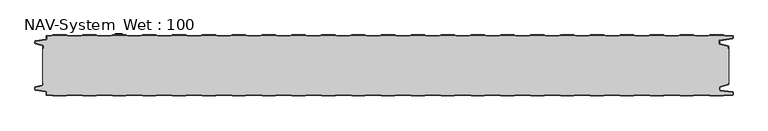
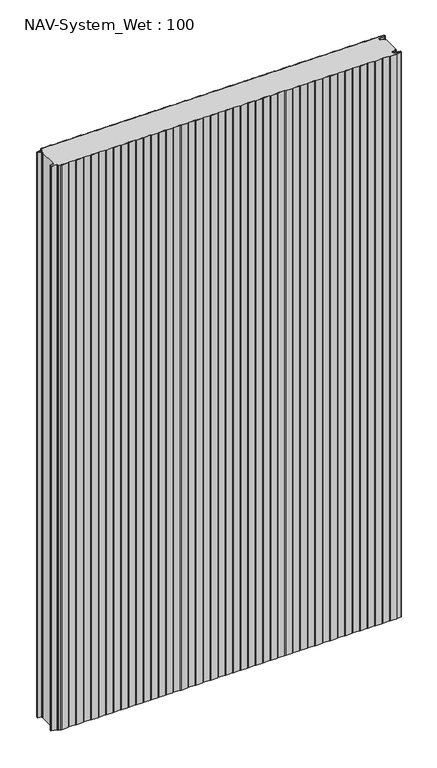
"""IFC4 building model written with IfcOpenShell, lengths in millimetres: plate geometry, NAV-System_Wet : 100."""

from ifc_helpers import new_model, si_unit, point, frame_2d, origin, origin_with_axes, place, context, project, spatial, polyline, circle_curve, trimmed, segment, composite_curve, outline, extrude, source, transform, mapped, element, save


def nav_system_wet_100_ff4cf853(model_context):
    return source(origin(), model_context, "Body", "SweptSolid", [
        extrude(outline(composite_curve([segment(polyline([(430.3684327, -0.8), (427.3684327, 0.2), (405.3684327, 0.2), (402.3684327, -0.8), (380.3684327, -0.8), (377.3684327, 0.2), (355.3684327, 0.2), (352.3684327, -0.8), (330.3684327, -0.8), (327.3684327, 0.2), (305.3684327, 0.2), (302.3684327, -0.8), (280.3684327, -0.8), (277.3684327, 0.2), (255.3684327, 0.2), (252.3684327, -0.8), (230.3684327, -0.8), (227.3684327, 0.2), (205.3684327, 0.2), (202.3684327, -0.8), (180.3684327, -0.8), (177.3684327, 0.2), (155.3684327, 0.2), (152.3684327, -0.8), (130.3684327, -0.8), (127.3684327, 0.2), (105.3684327, 0.2), (102.3684327, -0.8), (80.3684327, -0.8), (77.3684327, 0.2), (55.3684327, 0.2), (52.3684327, -0.8), (30.3684327, -0.8), (27.3684327, 0.2), (5.3684327, 0.2), (2.3684327, -0.8), (-19.6315673, -0.8), (-22.6315673, 0.2), (-44.6315673, 0.2), (-47.6315673, -0.8), (-69.6315673, -0.8), (-72.6315673, 0.2), (-94.6315673, 0.2), (-97.6315673, -0.8), (-119.6315673, -0.8), (-122.6315673, 0.2), (-144.6315673, 0.2), (-147.6315673, -0.8), (-169.6315673, -0.8), (-172.6315673, 0.2), (-194.6315673, 0.2), (-197.6315673, -0.8), (-219.6315673, -0.8), (-222.6315673, 0.2), (-244.6315673, 0.2), (-247.6315673, -0.8), (-269.6315673, -0.8), (-272.6315673, 0.2), (-294.6315673, 0.2), (-297.6315673, -0.8), (-319.6315673, -0.8), (-322.6315673, 0.2), (-344.6315673, 0.2), (-347.6315673, -0.8), (-369.6315673, -0.8), (-372.6315673, 0.2), (-394.6315673, 0.2), (-397.6315673, -0.8), (-419.6315673, -0.8), (-422.6315673, 0.2), (-444.6315673, 0.2), (-447.6315673, -0.8), (-469.6315673, -0.8), (-472.6315673, 0.2), (-494.6315673, 0.2), (-497.6315673, -0.8), (-519.6315673, -0.8), (-522.6315673, 0.2), (-544.6315673, 0.2), (-547.6315673, -0.8), (-554.7, -0.8)]), True, "CONTINUOUS"), segment(trimmed(circle_curve(frame_2d((-554.7, -1.3)), 0.5), [point((-554.7, -0.8))], [point((-555.2, -1.3))], True, "CARTESIAN"), True, "CONTINUOUS"), segment(polyline([(-555.2, -1.3), (-555.2, -5.3964683)]), True, "CONTINUOUS"), segment(trimmed(circle_curve(frame_2d((-556.7, -5.3964683)), 1.5), [point((-555.2, -5.3964683))], [point((-556.4911207, -6.8818536))], False, "CARTESIAN"), True, "CONTINUOUS"), segment(polyline([(-556.4911207, -6.8818536), (-573.4352183, -9.2645825)]), True, "CONTINUOUS"), segment(trimmed(circle_curve(frame_2d((-573.3114909, -10.1444347)), 0.8885091), [point((-573.4352183, -9.2645825))], [point((-574.2, -10.1444347))], True, "CARTESIAN"), True, "CONTINUOUS"), segment(polyline([(-574.2, -10.1444347), (-574.2, -12.46995)]), True, "CONTINUOUS"), segment(trimmed(circle_curve(frame_2d((-573.6, -12.46995)), 0.6), [point((-574.2, -12.46995))], [point((-573.7552914, -13.0495055))], True, "CARTESIAN"), True, "CONTINUOUS"), segment(polyline([(-573.7552914, -13.0495055), (-562.3785632, -16.0978907)]), True, "CONTINUOUS"), segment(trimmed(circle_curve(frame_2d((-562.7667917, -17.5467794)), 1.5), [point((-562.3785632, -16.0978907))], [point((-561.2667917, -17.5467794))], False, "CARTESIAN"), True, "CONTINUOUS"), segment(polyline([(-561.2667917, -17.5467794), (-561.2667917, -21.0096505), (-562.0667917, -21.0096505), (-562.0667917, -17.5467794)]), True, "CONTINUOUS"), segment(trimmed(circle_curve(frame_2d((-562.7667917, -17.5467794)), 0.7), [point((-562.0667917, -17.5467794))], [point((-562.5856184, -16.8706313))], True, "CARTESIAN"), True, "CONTINUOUS"), segment(polyline([(-562.5856184, -16.8706313), (-574.0364648, -13.8023863)]), True, "CONTINUOUS"), segment(trimmed(circle_curve(frame_2d((-573.7, -12.5466827)), 1.3), [point((-574.0364648, -13.8023863))], [point((-575.0, -12.5466827))], False, "CARTESIAN"), True, "CONTINUOUS"), segment(polyline([(-575.0, -12.5466827), (-575.0, -9.8067363)]), True, "CONTINUOUS"), segment(trimmed(circle_curve(frame_2d((-573.7, -9.8067363)), 1.3), [point((-575.0, -9.8067363))], [point((-573.8810287, -8.5194024))], False, "CARTESIAN"), True, "CONTINUOUS"), segment(polyline([(-573.8810287, -8.5194024), (-556.602523, -6.0896481)]), True, "CONTINUOUS"), segment(trimmed(circle_curve(frame_2d((-556.7, -5.3964683)), 0.7), [point((-556.602523, -6.0896481))], [point((-556.0, -5.3964683))], True, "CARTESIAN"), True, "CONTINUOUS"), segment(polyline([(-556.0, -5.3964683), (-556.0, -1.3)]), True, "CONTINUOUS"), segment(trimmed(circle_curve(frame_2d((-554.7, -1.3)), 1.3), [point((-556.0, -1.3))], [point((-554.7, 0.0))], False, "CARTESIAN"), True, "CONTINUOUS"), segment(polyline([(-554.7, 0.0), (-547.7613895, 0.0), (-544.7613895, 1.0), (-522.5017452, 1.0), (-519.5017452, 0.0), (-497.7613895, 0.0), (-494.7613895, 1.0), (-472.5017452, 1.0), (-469.5017452, 0.0), (-447.7613895, 0.0), (-444.7613895, 1.0), (-422.5017452, 1.0), (-419.5017452, 0.0), (-397.7613895, 0.0), (-394.7613895, 1.0), (-372.5017452, 1.0), (-369.5017452, 0.0), (-347.7613895, 0.0), (-344.7613895, 1.0), (-322.5017452, 1.0), (-319.5017452, 0.0), (-297.7613895, 0.0), (-294.7613895, 1.0), (-272.5017452, 1.0), (-269.5017452, 0.0), (-247.7613895, 0.0), (-244.7613895, 1.0), (-222.5017452, 1.0), (-219.5017452, 0.0), (-197.7613895, 0.0), (-194.7613895, 1.0), (-172.5017452, 1.0), (-169.5017452, 0.0), (-147.7613895, 0.0), (-144.7613895, 1.0), (-122.5017452, 1.0), (-119.5017452, 0.0), (-97.7613895, 0.0), (-94.7613895, 1.0), (-72.5017452, 1.0), (-69.5017452, 0.0), (-47.7613895, 0.0), (-44.7613895, 1.0), (-22.5017452, 1.0), (-19.5017452, 0.0), (2.2386105, 0.0), (5.2386105, 1.0), (27.4982548, 1.0), (30.4982548, 0.0), (52.2386105, 0.0), (55.2386105, 1.0), (77.4982548, 1.0), (80.4982548, 0.0), (102.2386105, 0.0), (105.2386105, 1.0), (127.4982548, 1.0), (130.4982548, 0.0), (152.2386105, 0.0), (155.2386105, 1.0), (177.4982548, 1.0), (180.4982548, 0.0), (202.2386105, 0.0), (205.2386105, 1.0), (227.4982548, 1.0), (230.4982548, 0.0), (252.2386105, 0.0), (255.2386105, 1.0), (277.4982548, 1.0), (280.4982548, 0.0), (302.2386105, 0.0), (305.2386105, 1.0), (327.4982548, 1.0), (330.4982548, 0.0), (352.2386105, 0.0), (355.2386105, 1.0), (377.4982548, 1.0), (380.4982548, 0.0), (402.2386105, 0.0), (405.2386105, 1.0), (427.4982548, 1.0), (430.4982548, 0.0), (452.2386105, 0.0), (455.2386105, 1.0), (477.4982548, 1.0), (480.4982548, 0.0), (502.2386105, 0.0), (505.2386105, 1.0), (527.4982548, 1.0), (530.4982548, 0.0), (552.2386105, 0.0), (555.2386105, 1.0), (577.4982548, 1.0), (580.4982548, 0.0), (592.7, 0.0)]), True, "CONTINUOUS"), segment(trimmed(circle_curve(frame_2d((592.7, -1.3)), 1.3), [point((592.7, 0.0))], [point((594.0, -1.3))], False, "CARTESIAN"), True, "CONTINUOUS"), segment(polyline([(594.0, -1.3), (594.0, -4.3700191)]), True, "CONTINUOUS"), segment(trimmed(circle_curve(frame_2d((592.7, -4.3700191)), 1.3), [point((594.0, -4.3700191))], [point((592.8810287, -5.657353))], False, "CARTESIAN"), True, "CONTINUOUS"), segment(polyline([(592.8810287, -5.657353), (572.102523, -8.5792877)]), True, "CONTINUOUS"), segment(trimmed(circle_curve(frame_2d((572.2, -9.2724675)), 0.7), [point((572.102523, -8.5792877))], [point((571.5, -9.2724675))], True, "CARTESIAN"), True, "CONTINUOUS"), segment(polyline([(571.5, -9.2724675), (571.5, -13.0812756)]), True, "CONTINUOUS"), segment(trimmed(circle_curve(frame_2d((572.2, -13.0812756)), 0.7), [point((571.5, -13.0812756))], [point((572.0188267, -13.7574237))], True, "CARTESIAN"), True, "CONTINUOUS"), segment(polyline([(572.0188267, -13.7574237), (585.4205101, -17.3483939)]), True, "CONTINUOUS"), segment(trimmed(circle_curve(frame_2d((585.0840453, -18.6040975)), 1.3), [point((585.4205101, -17.3483939))], [point((586.3840453, -18.6040975))], False, "CARTESIAN"), True, "CONTINUOUS"), segment(polyline([(586.3840453, -18.6040975), (586.3840453, -21.0096505), (585.5840453, -21.0096505), (585.5840453, -18.6808302)]), True, "CONTINUOUS"), segment(trimmed(circle_curve(frame_2d((584.9840453, -18.6808302)), 0.6), [point((585.5840453, -18.6808302))], [point((585.1393367, -18.1012747))], True, "CARTESIAN"), True, "CONTINUOUS"), segment(polyline([(585.1393367, -18.1012747), (571.8117714, -14.5301644)]), True, "CONTINUOUS"), segment(trimmed(circle_curve(frame_2d((572.2, -13.0812756)), 1.5), [point((571.8117714, -14.5301644))], [point((570.7, -13.0812756))], False, "CARTESIAN"), True, "CONTINUOUS"), segment(polyline([(570.7, -13.0812756), (570.7, -9.2724675)]), True, "CONTINUOUS"), segment(trimmed(circle_curve(frame_2d((572.2, -9.2724675)), 1.5), [point((570.7, -9.2724675))], [point((571.9911207, -7.7870822))], False, "CARTESIAN"), True, "CONTINUOUS"), segment(polyline([(571.9911207, -7.7870822), (592.6835517, -4.8772516)]), True, "CONTINUOUS"), segment(trimmed(circle_curve(frame_2d((592.6, -4.2830975)), 0.6), [point((592.6835517, -4.8772516))], [point((593.2, -4.2830975))], True, "CARTESIAN"), True, "CONTINUOUS"), segment(polyline([(593.2, -4.2830975), (593.2, -1.3)]), True, "CONTINUOUS"), segment(trimmed(circle_curve(frame_2d((592.7, -1.3)), 0.5), [point((593.2, -1.3))], [point((592.7, -0.8))], True, "CARTESIAN"), True, "CONTINUOUS"), segment(polyline([(592.7, -0.8), (580.3684327, -0.8), (577.3684327, 0.2), (555.3684327, 0.2), (552.3684327, -0.8), (530.3684327, -0.8), (527.3684327, 0.2), (505.3684327, 0.2), (502.3684327, -0.8), (480.3684327, -0.8), (477.3684327, 0.2), (455.3684327, 0.2), (452.3684327, -0.8), (430.3684327, -0.8)]), True, "CONTINUOUS")], self_intersect=False)), origin_with_axes(), (0.0, 0.0, 1.0), 2000.0),
        extrude(outline(composite_curve([segment(polyline([(430.3684327, -0.8), (452.3684327, -0.8), (455.3684327, 0.2), (477.3684327, 0.2), (480.3684327, -0.8), (502.3684327, -0.8), (505.3684327, 0.2), (527.3684327, 0.2), (530.3684327, -0.8), (552.3684327, -0.8), (555.3684327, 0.2), (577.3684327, 0.2), (580.3684327, -0.8), (592.7, -0.8)]), True, "CONTINUOUS"), segment(trimmed(circle_curve(frame_2d((592.7, -1.3)), 0.5), [point((592.7, -0.8))], [point((593.2, -1.3))], False, "CARTESIAN"), True, "CONTINUOUS"), segment(polyline([(593.2, -1.3), (593.2, -4.2830975)]), True, "CONTINUOUS"), segment(trimmed(circle_curve(frame_2d((592.6, -4.2830975)), 0.6), [point((593.2, -4.2830975))], [point((592.6835517, -4.8772516))], False, "CARTESIAN"), True, "CONTINUOUS"), segment(polyline([(592.6835517, -4.8772516), (571.9911207, -7.7870822)]), True, "CONTINUOUS"), segment(trimmed(circle_curve(frame_2d((572.2, -9.2724675)), 1.5), [point((571.9911207, -7.7870822))], [point((570.7, -9.2724675))], True, "CARTESIAN"), True, "CONTINUOUS"), segment(polyline([(570.7, -9.2724675), (570.7, -13.0812756)]), True, "CONTINUOUS"), segment(trimmed(circle_curve(frame_2d((572.2, -13.0812756)), 1.5), [point((570.7, -13.0812756))], [point((571.8117714, -14.5301644))], True, "CARTESIAN"), True, "CONTINUOUS"), segment(polyline([(571.8117714, -14.5301644), (585.1393367, -18.1012747)]), True, "CONTINUOUS"), segment(trimmed(circle_curve(frame_2d((584.9840453, -18.6808302)), 0.6), [point((585.1393367, -18.1012747))], [point((585.5840453, -18.6808302))], False, "CARTESIAN"), True, "CONTINUOUS"), segment(polyline([(585.5840453, -18.6808302), (585.5840453, -21.0096505), (586.3840453, -21.0096505), (586.3840453, -78.9903495), (585.5840453, -78.9903495), (585.5840453, -81.3191698)]), True, "CONTINUOUS"), segment(trimmed(circle_curve(frame_2d((584.9840453, -81.3191698)), 0.6), [point((585.5840453, -81.3191698))], [point((585.1393367, -81.8987253))], False, "CARTESIAN"), True, "CONTINUOUS"), segment(polyline([(585.1393367, -81.8987253), (571.8117714, -85.4698356)]), True, "CONTINUOUS"), segment(trimmed(circle_curve(frame_2d((572.2, -86.9187244)), 1.5), [point((571.8117714, -85.4698356))], [point((570.7, -86.9187244))], True, "CARTESIAN"), True, "CONTINUOUS"), segment(polyline([(570.7, -86.9187244), (570.7, -90.7275325)]), True, "CONTINUOUS"), segment(trimmed(circle_curve(frame_2d((572.2, -90.7275325)), 1.5), [point((570.7, -90.7275325))], [point((571.9911207, -92.2129178))], True, "CARTESIAN"), True, "CONTINUOUS"), segment(polyline([(571.9911207, -92.2129178), (592.6835517, -95.1227484)]), True, "CONTINUOUS"), segment(trimmed(circle_curve(frame_2d((592.6, -95.7169025)), 0.6), [point((592.6835517, -95.1227484))], [point((593.2, -95.7169025))], False, "CARTESIAN"), True, "CONTINUOUS"), segment(polyline([(593.2, -95.7169025), (593.2, -98.7)]), True, "CONTINUOUS"), segment(trimmed(circle_curve(frame_2d((592.7, -98.7)), 0.5), [point((593.2, -98.7))], [point((592.7, -99.2))], False, "CARTESIAN"), True, "CONTINUOUS"), segment(polyline([(592.7, -99.2), (580.3684327, -99.2), (577.3684327, -100.2), (555.3684327, -100.2), (552.3684327, -99.2), (530.3684327, -99.2), (527.3684327, -100.2), (505.3684327, -100.2), (502.3684327, -99.2), (480.3684327, -99.2), (477.3684327, -100.2), (455.3684327, -100.2), (452.3684327, -99.2), (430.3684327, -99.2), (427.3684327, -100.2), (405.3684327, -100.2), (402.3684327, -99.2), (380.3684327, -99.2), (377.3684327, -100.2), (355.3684327, -100.2), (352.3684327, -99.2), (330.3684327, -99.2), (327.3684327, -100.2), (305.3684327, -100.2), (302.3684327, -99.2), (280.3684327, -99.2), (277.3684327, -100.2), (255.3684327, -100.2), (252.3684327, -99.2), (230.3684327, -99.2), (227.3684327, -100.2), (205.3684327, -100.2), (202.3684327, -99.2), (180.3684327, -99.2), (177.3684327, -100.2), (155.3684327, -100.2), (152.3684327, -99.2), (130.3684327, -99.2), (127.3684327, -100.2), (105.3684327, -100.2), (102.3684327, -99.2), (80.3684327, -99.2), (77.3684327, -100.2), (55.3684327, -100.2), (52.3684327, -99.2), (30.3684327, -99.2), (27.3684327, -100.2), (5.3684327, -100.2), (2.3684327, -99.2), (-19.6315673, -99.2), (-22.6315673, -100.2), (-44.6315673, -100.2), (-47.6315673, -99.2), (-69.6315673, -99.2), (-72.6315673, -100.2), (-94.6315673, -100.2), (-97.6315673, -99.2), (-119.6315673, -99.2), (-122.6315673, -100.2), (-144.6315673, -100.2), (-147.6315673, -99.2), (-169.6315673, -99.2), (-172.6315673, -100.2), (-194.6315673, -100.2), (-197.6315673, -99.2), (-219.6315673, -99.2), (-222.6315673, -100.2), (-244.6315673, -100.2), (-247.6315673, -99.2), (-269.6315673, -99.2), (-272.6315673, -100.2), (-294.6315673, -100.2), (-297.6315673, -99.2), (-319.6315673, -99.2), (-322.6315673, -100.2), (-344.6315673, -100.2), (-347.6315673, -99.2), (-369.6315673, -99.2), (-372.6315673, -100.2), (-394.6315673, -100.2), (-397.6315673, -99.2), (-419.6315673, -99.2), (-422.6315673, -100.2), (-444.6315673, -100.2), (-447.6315673, -99.2), (-469.6315673, -99.2), (-472.6315673, -100.2), (-494.6315673, -100.2), (-497.6315673, -99.2), (-519.6315673, -99.2), (-522.6315673, -100.2), (-544.6315673, -100.2), (-547.6315673, -99.2), (-554.7, -99.2)]), True, "CONTINUOUS"), segment(trimmed(circle_curve(frame_2d((-554.7, -98.7)), 0.5), [point((-554.7, -99.2))], [point((-555.2, -98.7))], False, "CARTESIAN"), True, "CONTINUOUS"), segment(polyline([(-555.2, -98.7), (-555.2, -94.6035317)]), True, "CONTINUOUS"), segment(trimmed(circle_curve(frame_2d((-556.7, -94.6035317)), 1.5), [point((-555.2, -94.6035317))], [point((-556.4911207, -93.1181464))], True, "CARTESIAN"), True, "CONTINUOUS"), segment(polyline([(-556.4911207, -93.1181464), (-573.4352183, -90.7354175)]), True, "CONTINUOUS"), segment(trimmed(circle_curve(frame_2d((-573.3114909, -89.8555653)), 0.8885091), [point((-573.4352183, -90.7354175))], [point((-574.2, -89.8555653))], False, "CARTESIAN"), True, "CONTINUOUS"), segment(polyline([(-574.2, -89.8555653), (-574.2, -87.53005)]), True, "CONTINUOUS"), segment(trimmed(circle_curve(frame_2d((-573.6, -87.53005)), 0.6), [point((-574.2, -87.53005))], [point((-573.7552914, -86.9504945))], False, "CARTESIAN"), True, "CONTINUOUS"), segment(polyline([(-573.7552914, -86.9504945), (-562.3785632, -83.9021093)]), True, "CONTINUOUS"), segment(trimmed(circle_curve(frame_2d((-562.7667917, -82.4532206)), 1.5), [point((-562.3785632, -83.9021093))], [point((-561.2667917, -82.4532206))], True, "CARTESIAN"), True, "CONTINUOUS"), segment(polyline([(-561.2667917, -82.4532206), (-561.2667917, -78.9903495), (-562.0667917, -78.9903495), (-562.0667917, -21.0096505), (-561.2667917, -21.0096505), (-561.2667917, -17.5467794)]), True, "CONTINUOUS"), segment(trimmed(circle_curve(frame_2d((-562.7667917, -17.5467794)), 1.5), [point((-561.2667917, -17.5467794))], [point((-562.3785632, -16.0978907))], True, "CARTESIAN"), True, "CONTINUOUS"), segment(polyline([(-562.3785632, -16.0978907), (-573.7552914, -13.0495055)]), True, "CONTINUOUS"), segment(trimmed(circle_curve(frame_2d((-573.6, -12.46995)), 0.6), [point((-573.7552914, -13.0495055))], [point((-574.2, -12.46995))], False, "CARTESIAN"), True, "CONTINUOUS"), segment(polyline([(-574.2, -12.46995), (-574.2, -10.1444347)]), True, "CONTINUOUS"), segment(trimmed(circle_curve(frame_2d((-573.3114909, -10.1444347)), 0.8885091), [point((-574.2, -10.1444347))], [point((-573.4352183, -9.2645825))], False, "CARTESIAN"), True, "CONTINUOUS"), segment(polyline([(-573.4352183, -9.2645825), (-556.4911207, -6.8818536)]), True, "CONTINUOUS"), segment(trimmed(circle_curve(frame_2d((-556.7, -5.3964683)), 1.5), [point((-556.4911207, -6.8818536))], [point((-555.2, -5.3964683))], True, "CARTESIAN"), True, "CONTINUOUS"), segment(polyline([(-555.2, -5.3964683), (-555.2, -1.3)]), True, "CONTINUOUS"), segment(trimmed(circle_curve(frame_2d((-554.7, -1.3)), 0.5), [point((-555.2, -1.3))], [point((-554.7, -0.8))], False, "CARTESIAN"), True, "CONTINUOUS"), segment(polyline([(-554.7, -0.8), (-547.6315673, -0.8), (-544.6315673, 0.2), (-522.6315673, 0.2), (-519.6315673, -0.8), (-497.6315673, -0.8), (-494.6315673, 0.2), (-472.6315673, 0.2), (-469.6315673, -0.8), (-447.6315673, -0.8), (-444.6315673, 0.2), (-422.6315673, 0.2), (-419.6315673, -0.8), (-397.6315673, -0.8), (-394.6315673, 0.2), (-372.6315673, 0.2), (-369.6315673, -0.8), (-347.6315673, -0.8), (-344.6315673, 0.2), (-322.6315673, 0.2), (-319.6315673, -0.8), (-297.6315673, -0.8), (-294.6315673, 0.2), (-272.6315673, 0.2), (-269.6315673, -0.8), (-247.6315673, -0.8), (-244.6315673, 0.2), (-222.6315673, 0.2), (-219.6315673, -0.8), (-197.6315673, -0.8), (-194.6315673, 0.2), (-172.6315673, 0.2), (-169.6315673, -0.8), (-147.6315673, -0.8), (-144.6315673, 0.2), (-122.6315673, 0.2), (-119.6315673, -0.8), (-97.6315673, -0.8), (-94.6315673, 0.2), (-72.6315673, 0.2), (-69.6315673, -0.8), (-47.6315673, -0.8), (-44.6315673, 0.2), (-22.6315673, 0.2), (-19.6315673, -0.8), (2.3684327, -0.8), (5.3684327, 0.2), (27.3684327, 0.2), (30.3684327, -0.8), (52.3684327, -0.8), (55.3684327, 0.2), (77.3684327, 0.2), (80.3684327, -0.8), (102.3684327, -0.8), (105.3684327, 0.2), (127.3684327, 0.2), (130.3684327, -0.8), (152.3684327, -0.8), (155.3684327, 0.2), (177.3684327, 0.2), (180.3684327, -0.8), (202.3684327, -0.8), (205.3684327, 0.2), (227.3684327, 0.2), (230.3684327, -0.8), (252.3684327, -0.8), (255.3684327, 0.2), (277.3684327, 0.2), (280.3684327, -0.8), (302.3684327, -0.8), (305.3684327, 0.2), (327.3684327, 0.2), (330.3684327, -0.8), (352.3684327, -0.8), (355.3684327, 0.2), (377.3684327, 0.2), (380.3684327, -0.8), (402.3684327, -0.8), (405.3684327, 0.2), (427.3684327, 0.2), (430.3684327, -0.8)]), True, "CONTINUOUS")], self_intersect=False)), origin_with_axes(), (0.0, 0.0, 1.0), 2000.0),
        extrude(outline(composite_curve([segment(polyline([(430.3684327, -99.2), (452.3684327, -99.2), (455.3684327, -100.2), (477.3684327, -100.2), (480.3684327, -99.2), (502.3684327, -99.2), (505.3684327, -100.2), (527.3684327, -100.2), (530.3684327, -99.2), (552.3684327, -99.2), (555.3684327, -100.2), (577.3684327, -100.2), (580.3684327, -99.2), (592.7, -99.2)]), True, "CONTINUOUS"), segment(trimmed(circle_curve(frame_2d((592.7, -98.7)), 0.5), [point((592.7, -99.2))], [point((593.2, -98.7))], True, "CARTESIAN"), True, "CONTINUOUS"), segment(polyline([(593.2, -98.7), (593.2, -95.7169025)]), True, "CONTINUOUS"), segment(trimmed(circle_curve(frame_2d((592.6, -95.7169025)), 0.6), [point((593.2, -95.7169025))], [point((592.6835517, -95.1227484))], True, "CARTESIAN"), True, "CONTINUOUS"), segment(polyline([(592.6835517, -95.1227484), (571.9911207, -92.2129178)]), True, "CONTINUOUS"), segment(trimmed(circle_curve(frame_2d((572.2, -90.7275325)), 1.5), [point((571.9911207, -92.2129178))], [point((570.7, -90.7275325))], False, "CARTESIAN"), True, "CONTINUOUS"), segment(polyline([(570.7, -90.7275325), (570.7, -86.9187244)]), True, "CONTINUOUS"), segment(trimmed(circle_curve(frame_2d((572.2, -86.9187244)), 1.5), [point((570.7, -86.9187244))], [point((571.8117714, -85.4698356))], False, "CARTESIAN"), True, "CONTINUOUS"), segment(polyline([(571.8117714, -85.4698356), (585.1393367, -81.8987253)]), True, "CONTINUOUS"), segment(trimmed(circle_curve(frame_2d((584.9840453, -81.3191698)), 0.6), [point((585.1393367, -81.8987253))], [point((585.5840453, -81.3191698))], True, "CARTESIAN"), True, "CONTINUOUS"), segment(polyline([(585.5840453, -81.3191698), (585.5840453, -78.9903495), (586.3840453, -78.9903495), (586.3840453, -81.3959025)]), True, "CONTINUOUS"), segment(trimmed(circle_curve(frame_2d((585.0840453, -81.3959025)), 1.3), [point((586.3840453, -81.3959025))], [point((585.4205101, -82.6516061))], False, "CARTESIAN"), True, "CONTINUOUS"), segment(polyline([(585.4205101, -82.6516061), (572.0188267, -86.2425763)]), True, "CONTINUOUS"), segment(trimmed(circle_curve(frame_2d((572.2, -86.9187244)), 0.7), [point((572.0188267, -86.2425763))], [point((571.5, -86.9187244))], True, "CARTESIAN"), True, "CONTINUOUS"), segment(polyline([(571.5, -86.9187244), (571.5, -90.7275325)]), True, "CONTINUOUS"), segment(trimmed(circle_curve(frame_2d((572.2, -90.7275325)), 0.7), [point((571.5, -90.7275325))], [point((572.102523, -91.4207123))], True, "CARTESIAN"), True, "CONTINUOUS"), segment(polyline([(572.102523, -91.4207123), (592.8810287, -94.342647)]), True, "CONTINUOUS"), segment(trimmed(circle_curve(frame_2d((592.7, -95.6299809)), 1.3), [point((592.8810287, -94.342647))], [point((594.0, -95.6299809))], False, "CARTESIAN"), True, "CONTINUOUS"), segment(polyline([(594.0, -95.6299809), (594.0, -98.7)]), True, "CONTINUOUS"), segment(trimmed(circle_curve(frame_2d((592.7, -98.7)), 1.3), [point((594.0, -98.7))], [point((592.7, -100.0))], False, "CARTESIAN"), True, "CONTINUOUS"), segment(polyline([(592.7, -100.0), (580.4982548, -100.0), (577.4982548, -101.0), (555.2386105, -101.0), (552.2386105, -100.0), (530.4982548, -100.0), (527.4982548, -101.0), (505.2386105, -101.0), (502.2386105, -100.0), (480.4982548, -100.0), (477.4982548, -101.0), (455.2386105, -101.0), (452.2386105, -100.0), (430.4982548, -100.0), (427.4982548, -101.0), (405.2386105, -101.0), (402.2386105, -100.0), (380.4982548, -100.0), (377.4982548, -101.0), (355.2386105, -101.0), (352.2386105, -100.0), (330.4982548, -100.0), (327.4982548, -101.0), (305.2386105, -101.0), (302.2386105, -100.0), (280.4982548, -100.0), (277.4982548, -101.0), (255.2386105, -101.0), (252.2386105, -100.0), (230.4982548, -100.0), (227.4982548, -101.0), (205.2386105, -101.0), (202.2386105, -100.0), (180.4982548, -100.0), (177.4982548, -101.0), (155.2386105, -101.0), (152.2386105, -100.0), (130.4982548, -100.0), (127.4982548, -101.0), (105.2386105, -101.0), (102.2386105, -100.0), (80.4982548, -100.0), (77.4982548, -101.0), (55.2386105, -101.0), (52.2386105, -100.0), (30.4982548, -100.0), (27.4982548, -101.0), (5.2386105, -101.0), (2.2386105, -100.0), (-19.5017452, -100.0), (-22.5017452, -101.0), (-44.7613895, -101.0), (-47.7613895, -100.0), (-69.5017452, -100.0), (-72.5017452, -101.0), (-94.7613895, -101.0), (-97.7613895, -100.0), (-119.5017452, -100.0), (-122.5017452, -101.0), (-144.7613895, -101.0), (-147.7613895, -100.0), (-169.5017452, -100.0), (-172.5017452, -101.0), (-194.7613895, -101.0), (-197.7613895, -100.0), (-219.5017452, -100.0), (-222.5017452, -101.0), (-244.7613895, -101.0), (-247.7613895, -100.0), (-269.5017452, -100.0), (-272.5017452, -101.0), (-294.7613895, -101.0), (-297.7613895, -100.0), (-319.5017452, -100.0), (-322.5017452, -101.0), (-344.7613895, -101.0), (-347.7613895, -100.0), (-369.5017452, -100.0), (-372.5017452, -101.0), (-394.7613895, -101.0), (-397.7613895, -100.0), (-419.5017452, -100.0), (-422.5017452, -101.0), (-444.7613895, -101.0), (-447.7613895, -100.0), (-469.5017452, -100.0), (-472.5017452, -101.0), (-494.7613895, -101.0), (-497.7613895, -100.0), (-519.5017452, -100.0), (-522.5017452, -101.0), (-544.7613895, -101.0), (-547.7613895, -100.0), (-554.7, -100.0)]), True, "CONTINUOUS"), segment(trimmed(circle_curve(frame_2d((-554.7, -98.7)), 1.3), [point((-554.7, -100.0))], [point((-556.0, -98.7))], False, "CARTESIAN"), True, "CONTINUOUS"), segment(polyline([(-556.0, -98.7), (-556.0, -94.6035317)]), True, "CONTINUOUS"), segment(trimmed(circle_curve(frame_2d((-556.7, -94.6035317)), 0.7), [point((-556.0, -94.6035317))], [point((-556.602523, -93.9103519))], True, "CARTESIAN"), True, "CONTINUOUS"), segment(polyline([(-556.602523, -93.9103519), (-573.8810287, -91.4805976)]), True, "CONTINUOUS"), segment(trimmed(circle_curve(frame_2d((-573.7, -90.1932637)), 1.3), [point((-573.8810287, -91.4805976))], [point((-575.0, -90.1932637))], False, "CARTESIAN"), True, "CONTINUOUS"), segment(polyline([(-575.0, -90.1932637), (-575.0, -87.4533173)]), True, "CONTINUOUS"), segment(trimmed(circle_curve(frame_2d((-573.7, -87.4533173)), 1.3), [point((-575.0, -87.4533173))], [point((-574.0364648, -86.1976137))], False, "CARTESIAN"), True, "CONTINUOUS"), segment(polyline([(-574.0364648, -86.1976137), (-562.5856184, -83.1293687)]), True, "CONTINUOUS"), segment(trimmed(circle_curve(frame_2d((-562.7667917, -82.4532206)), 0.7), [point((-562.5856184, -83.1293687))], [point((-562.0667917, -82.4532206))], True, "CARTESIAN"), True, "CONTINUOUS"), segment(polyline([(-562.0667917, -82.4532206), (-562.0667917, -78.9903495), (-561.2667917, -78.9903495), (-561.2667917, -82.4532206)]), True, "CONTINUOUS"), segment(trimmed(circle_curve(frame_2d((-562.7667917, -82.4532206)), 1.5), [point((-561.2667917, -82.4532206))], [point((-562.3785632, -83.9021093))], False, "CARTESIAN"), True, "CONTINUOUS"), segment(polyline([(-562.3785632, -83.9021093), (-573.7552914, -86.9504945)]), True, "CONTINUOUS"), segment(trimmed(circle_curve(frame_2d((-573.6, -87.53005)), 0.6), [point((-573.7552914, -86.9504945))], [point((-574.2, -87.53005))], True, "CARTESIAN"), True, "CONTINUOUS"), segment(polyline([(-574.2, -87.53005), (-574.2, -89.8555653)]), True, "CONTINUOUS"), segment(trimmed(circle_curve(frame_2d((-573.3114909, -89.8555653)), 0.8885091), [point((-574.2, -89.8555653))], [point((-573.4352183, -90.7354175))], True, "CARTESIAN"), True, "CONTINUOUS"), segment(polyline([(-573.4352183, -90.7354175), (-556.4911207, -93.1181464)]), True, "CONTINUOUS"), segment(trimmed(circle_curve(frame_2d((-556.7, -94.6035317)), 1.5), [point((-556.4911207, -93.1181464))], [point((-555.2, -94.6035317))], False, "CARTESIAN"), True, "CONTINUOUS"), segment(polyline([(-555.2, -94.6035317), (-555.2, -98.7)]), True, "CONTINUOUS"), segment(trimmed(circle_curve(frame_2d((-554.7, -98.7)), 0.5), [point((-555.2, -98.7))], [point((-554.7, -99.2))], True, "CARTESIAN"), True, "CONTINUOUS"), segment(polyline([(-554.7, -99.2), (-547.6315673, -99.2), (-544.6315673, -100.2), (-522.6315673, -100.2), (-519.6315673, -99.2), (-497.6315673, -99.2), (-494.6315673, -100.2), (-472.6315673, -100.2), (-469.6315673, -99.2), (-447.6315673, -99.2), (-444.6315673, -100.2), (-422.6315673, -100.2), (-419.6315673, -99.2), (-397.6315673, -99.2), (-394.6315673, -100.2), (-372.6315673, -100.2), (-369.6315673, -99.2), (-347.6315673, -99.2), (-344.6315673, -100.2), (-322.6315673, -100.2), (-319.6315673, -99.2), (-297.6315673, -99.2), (-294.6315673, -100.2), (-272.6315673, -100.2), (-269.6315673, -99.2), (-247.6315673, -99.2), (-244.6315673, -100.2), (-222.6315673, -100.2), (-219.6315673, -99.2), (-197.6315673, -99.2), (-194.6315673, -100.2), (-172.6315673, -100.2), (-169.6315673, -99.2), (-147.6315673, -99.2), (-144.6315673, -100.2), (-122.6315673, -100.2), (-119.6315673, -99.2), (-97.6315673, -99.2), (-94.6315673, -100.2), (-72.6315673, -100.2), (-69.6315673, -99.2), (-47.6315673, -99.2), (-44.6315673, -100.2), (-22.6315673, -100.2), (-19.6315673, -99.2), (2.3684327, -99.2), (5.3684327, -100.2), (27.3684327, -100.2), (30.3684327, -99.2), (52.3684327, -99.2), (55.3684327, -100.2), (77.3684327, -100.2), (80.3684327, -99.2), (102.3684327, -99.2), (105.3684327, -100.2), (127.3684327, -100.2), (130.3684327, -99.2), (152.3684327, -99.2), (155.3684327, -100.2), (177.3684327, -100.2), (180.3684327, -99.2), (202.3684327, -99.2), (205.3684327, -100.2), (227.3684327, -100.2), (230.3684327, -99.2), (252.3684327, -99.2), (255.3684327, -100.2), (277.3684327, -100.2), (280.3684327, -99.2), (302.3684327, -99.2), (305.3684327, -100.2), (327.3684327, -100.2), (330.3684327, -99.2), (352.3684327, -99.2), (355.3684327, -100.2), (377.3684327, -100.2), (380.3684327, -99.2), (402.3684327, -99.2), (405.3684327, -100.2), (427.3684327, -100.2), (430.3684327, -99.2)]), True, "CONTINUOUS")], self_intersect=False)), origin_with_axes(), (0.0, 0.0, 1.0), 2000.0),
    ])


if __name__ == "__main__":
    model = new_model("IFC4")
    model_context = context("Model", 3, world=origin())
    ifc_project = project(units=[si_unit("LENGTHUNIT", "METRE", prefix="MILLI")], contexts=[model_context])
    site = spatial("IfcSite", under=ifc_project)
    building = spatial("IfcBuilding", under=site)
    placement = place(None, origin())
    nav_system_wet_100_shape = nav_system_wet_100_ff4cf853(model_context)
    element("IfcPlate", 1, ObjectType="NAV-System_Wet : 100", at=placement, inside=building, context=model_context, shape_type="MappedRepresentation", body=[
        mapped(nav_system_wet_100_shape, transform((0.0, 0.0, 0.0), x_axis=(1.0, 0.0, 0.0), y_axis=(0.0, 1.0, 0.0), z_axis=(0.0, 0.0, 1.0))),
    ])
    save(model, "model.ifc")
